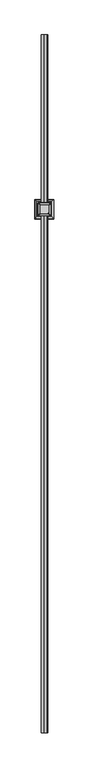
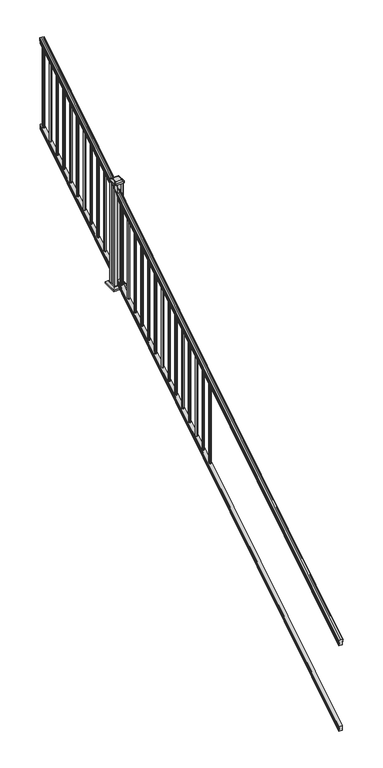
"""IFC4 building model written with IfcOpenShell, lengths in millimetres: railing geometry."""

from ifc_helpers import new_model, si_unit, point, frame, frame_2d, origin, place, context, project, spatial, polyline, circle_curve, ellipse_curve, trimmed, segment, composite_curve, outline, extrude, faceted_brep, source, transform, mapped, element, save
from ifc_brep_helpers import plane_surface, cylinder_surface, revolved_surface, extruded_surface, advanced_brep


def railing_5eec6803(model_context):
    return source(origin(), model_context, "Body", "SolidModel", [
        advanced_brep(
        [(6243.4270946, -16813.8194681, 1133.2070492), (6243.4270946, -16813.8194681, 1135.4335658), (6244.5572809, -16813.8194681, 1137.2758543), (6244.5572809, -16813.8194681, 1145.7876358), (6243.9080245, -16813.8194681, 1148.6572588), (6246.4080245, -16813.8194681, 1153.7635509), (6247.817367, -16813.8194681, 1155.7442021), (6248.219266, -16813.8194681, 1157.0469579), (6248.2192659, -16813.8194681, 1158.6274846), (6246.6658186, -16813.8194681, 1160.4593836), (6225.9942659, -16813.8194681, 1160.4593836), (6205.3227131, -16813.8194681, 1160.4593836), (6203.7692659, -16813.8194681, 1158.6274846), (6203.7692659, -16813.8194681, 1157.0469579), (6204.1711648, -16813.8194681, 1155.7442021), (6205.5805072, -16813.8194681, 1153.7635509), (6208.0805072, -16813.8194681, 1148.6572588), (6207.4312508, -16813.8194681, 1145.7876358), (6207.4312508, -16813.8194681, 1137.2758543), (6208.5614371, -16813.8194681, 1135.4335658), (6208.5614371, -16813.8194681, 1133.2070492), (6211.1352659, -16813.8194681, 1133.2070492), (6211.1352659, -16813.8194681, 1120.825537), (6210.1192659, -16813.8194681, 1119.6274214), (6210.1192659, -16813.8194681, 1104.9), (6241.8692659, -16813.8194681, 1104.9), (6241.8692659, -16813.8194681, 1119.441318), (6240.8532659, -16813.8194681, 1120.6394336), (6240.8532659, -16813.8194681, 1133.2070492), (6243.4270946, -11937.0194681, 4181.2070492), (6240.8532659, -11937.0194681, 4181.2070492), (6240.8532659, -11937.0194681, 4168.6394336), (6241.8692659, -11937.0194681, 4167.441318), (6241.8692659, -11937.0194681, 4152.9), (6210.1192659, -11937.0194681, 4152.9), (6210.1192659, -11937.0194681, 4167.6274214), (6211.1352659, -11937.0194681, 4168.825537), (6211.1352659, -11937.0194681, 4181.2070492), (6208.5614371, -11937.0194681, 4181.2070492), (6208.5614371, -11937.0194681, 4183.4335658), (6207.4312508, -11937.0194681, 4185.2758543), (6207.4312508, -11937.0194681, 4193.7876358), (6208.0805072, -11937.0194681, 4196.6572588), (6205.5805072, -11937.0194681, 4201.7635509), (6204.1711648, -11937.0194681, 4203.7442021), (6203.7692658, -11937.0194681, 4205.0469579), (6203.7692659, -11937.0194681, 4206.6274846), (6205.3227131, -11937.0194681, 4208.4593836), (6225.9942659, -11937.0194681, 4208.4593836), (6246.6658186, -11937.0194681, 4208.4593836), (6248.2192659, -11937.0194681, 4206.6274846), (6248.2192659, -11937.0194681, 4205.0469579), (6247.817367, -11937.0194681, 4203.7442021), (6246.4080245, -11937.0194681, 4201.7635509), (6243.9080245, -11937.0194681, 4196.6572588), (6244.5572809, -11937.0194681, 4193.7876358), (6244.5572809, -11937.0194681, 4185.2758543), (6243.4270946, -11937.0194681, 4183.4335658)],
        [
            (0, 1),
            (1, 2, ellipse_curve(frame((6237.1123413, -16813.8194681, 1142.2239405), z_axis=(0.0, -1.0, 0.0), x_axis=(0.0, 0.0, -1.0)), 10.0777926, 8.545951)),
            (2, 3, ellipse_curve(frame((6237.5494043, -16813.8194681, 1141.5317451), z_axis=(0.0, -1.0, 0.0), x_axis=(0.0, 0.0, -1.0)), 9.2955186, 7.882584)),
            (3, 4, ellipse_curve(frame((6248.0627284, -16813.8194681, 1148.4275077), z_axis=(0.0, 1.0, 0.0), x_axis=(0.0, 0.0, 1.0)), 4.9048088, 4.1592695)),
            (4, 5, ellipse_curve(frame((6249.350035, -16813.8194681, 1148.3563208), z_axis=(0.0, 1.0, 0.0), x_axis=(0.0, 0.0, 1.0)), 6.4245301, 5.4479907)),
            (5, 6, ellipse_curve(frame((6248.1168765, -16813.8194681, 1153.7602333), z_axis=(0.0, 1.0, 0.0), x_axis=(0.0, 0.0, 1.0)), 2.0151625, 1.7088543)),
            (6, 7, ellipse_curve(frame((6246.4999764, -16813.8194681, 1157.0469579), z_axis=(0.0, -1.0, 0.0), x_axis=(0.0, 0.0, -1.0)), 2.0274681, 1.7192895)),
            (7, 8),
            (8, 9, ellipse_curve(frame((6246.6658186, -16813.8194681, 1158.6274846), z_axis=(0.0, -1.0, 0.0), x_axis=(0.0, 0.0, -1.0)), 1.831899, 1.5534472)),
            (9, 10),
            (10, 11),
            (11, 12, ellipse_curve(frame((6205.3227131, -16813.8194681, 1158.6274846), z_axis=(0.0, -1.0, 0.0), x_axis=(0.0, 0.0, -1.0)), 1.831899, 1.5534472)),
            (12, 13),
            (13, 14, ellipse_curve(frame((6205.4885553, -16813.8194681, 1157.0469579), z_axis=(0.0, -1.0, 0.0), x_axis=(0.0, 0.0, -1.0)), 2.0274681, 1.7192895)),
            (14, 15, ellipse_curve(frame((6203.8716552, -16813.8194681, 1153.7602333), z_axis=(0.0, 1.0, 0.0), x_axis=(0.0, 0.0, 1.0)), 2.0151625, 1.7088543)),
            (15, 16, ellipse_curve(frame((6202.6384968, -16813.8194681, 1148.3563208), z_axis=(0.0, 1.0, 0.0), x_axis=(0.0, 0.0, 1.0)), 6.4245301, 5.4479907)),
            (16, 17, ellipse_curve(frame((6203.9258033, -16813.8194681, 1148.4275077), z_axis=(0.0, 1.0, 0.0), x_axis=(0.0, 0.0, 1.0)), 4.9048088, 4.1592695)),
            (17, 18, ellipse_curve(frame((6214.4391275, -16813.8194681, 1141.5317451), z_axis=(0.0, -1.0, 0.0), x_axis=(0.0, 0.0, -1.0)), 9.2955186, 7.882584)),
            (18, 19, ellipse_curve(frame((6214.8761904, -16813.8194681, 1142.2239405), z_axis=(0.0, -1.0, 0.0), x_axis=(0.0, 0.0, -1.0)), 10.0777926, 8.545951)),
            (19, 20),
            (20, 21, ellipse_curve(frame((6209.8483515, -16813.8194681, 1133.2070492), z_axis=(0.0, -1.0, 0.0), x_axis=(0.0, 0.0, -1.0)), 1.5175907, 1.2869144)),
            (21, 22),
            (22, 23),
            (23, 24),
            (24, 25),
            (25, 26),
            (26, 27),
            (27, 28),
            (28, 0, ellipse_curve(frame((6242.1401802, -16813.8194681, 1133.2070492), z_axis=(0.0, -1.0, 0.0), x_axis=(0.0, 0.0, -1.0)), 1.5175907, 1.2869144)),
            (29, 30, ellipse_curve(frame((6242.1401802, -11937.0194681, 4181.2070492), z_axis=(0.0, 1.0, 0.0), x_axis=(0.0, 0.0, -1.0)), 1.5175907, 1.2869144)),
            (30, 31),
            (31, 32),
            (32, 33),
            (33, 34),
            (34, 35),
            (35, 36),
            (36, 37),
            (37, 38, ellipse_curve(frame((6209.8483515, -11937.0194681, 4181.2070492), z_axis=(0.0, 1.0, 0.0), x_axis=(0.0, 0.0, -1.0)), 1.5175907, 1.2869144)),
            (38, 39),
            (39, 40, ellipse_curve(frame((6214.8761904, -11937.0194681, 4190.2239405), z_axis=(0.0, 1.0, 0.0), x_axis=(0.0, 0.0, -1.0)), 10.0777926, 8.545951)),
            (40, 41, ellipse_curve(frame((6214.4391275, -11937.0194681, 4189.5317451), z_axis=(0.0, 1.0, 0.0), x_axis=(0.0, 0.0, -1.0)), 9.2955186, 7.882584)),
            (41, 42, ellipse_curve(frame((6203.9258033, -11937.0194681, 4196.4275077), z_axis=(0.0, -1.0, 0.0), x_axis=(0.0, 0.0, 1.0)), 4.9048088, 4.1592695)),
            (42, 43, ellipse_curve(frame((6202.6384968, -11937.0194681, 4196.3563208), z_axis=(0.0, -1.0, 0.0), x_axis=(0.0, 0.0, 1.0)), 6.4245301, 5.4479907)),
            (43, 44, ellipse_curve(frame((6203.8716552, -11937.0194681, 4201.7602333), z_axis=(0.0, -1.0, 0.0), x_axis=(0.0, 0.0, 1.0)), 2.0151625, 1.7088543)),
            (44, 45, ellipse_curve(frame((6205.4885553, -11937.0194681, 4205.0469579), z_axis=(0.0, 1.0, 0.0), x_axis=(0.0, 0.0, -1.0)), 2.0274681, 1.7192895)),
            (45, 46),
            (46, 47, ellipse_curve(frame((6205.3227131, -11937.0194681, 4206.6274846), z_axis=(0.0, 1.0, 0.0), x_axis=(0.0, 0.0, -1.0)), 1.831899, 1.5534472)),
            (47, 48),
            (48, 49),
            (49, 50, ellipse_curve(frame((6246.6658186, -11937.0194681, 4206.6274846), z_axis=(0.0, 1.0, 0.0), x_axis=(0.0, 0.0, -1.0)), 1.831899, 1.5534472)),
            (50, 51),
            (51, 52, ellipse_curve(frame((6246.4999764, -11937.0194681, 4205.0469579), z_axis=(0.0, 1.0, 0.0), x_axis=(0.0, 0.0, -1.0)), 2.0274681, 1.7192895)),
            (52, 53, ellipse_curve(frame((6248.1168765, -11937.0194681, 4201.7602333), z_axis=(0.0, -1.0, 0.0), x_axis=(0.0, 0.0, 1.0)), 2.0151625, 1.7088543)),
            (53, 54, ellipse_curve(frame((6249.350035, -11937.0194681, 4196.3563208), z_axis=(0.0, -1.0, 0.0), x_axis=(0.0, 0.0, 1.0)), 6.4245301, 5.4479907)),
            (54, 55, ellipse_curve(frame((6248.0627284, -11937.0194681, 4196.4275077), z_axis=(0.0, -1.0, 0.0), x_axis=(0.0, 0.0, 1.0)), 4.9048088, 4.1592695)),
            (55, 56, ellipse_curve(frame((6237.5494043, -11937.0194681, 4189.5317451), z_axis=(0.0, 1.0, 0.0), x_axis=(0.0, 0.0, -1.0)), 9.2955186, 7.882584)),
            (56, 57, ellipse_curve(frame((6237.1123413, -11937.0194681, 4190.2239405), z_axis=(0.0, 1.0, 0.0), x_axis=(0.0, 0.0, -1.0)), 10.0777926, 8.545951)),
            (57, 29),
            (0, 29),
            (57, 1),
            (56, 2),
            (55, 3),
            (54, 4),
            (53, 5),
            (52, 6),
            (51, 7),
            (50, 8),
            (49, 9),
            (48, 10),
            (47, 11),
            (46, 12),
            (45, 13),
            (44, 14),
            (43, 15),
            (42, 16),
            (41, 17),
            (40, 18),
            (39, 19),
            (38, 20),
            (37, 21),
            (36, 22),
            (35, 23),
            (34, 24),
            (33, 25),
            (32, 26),
            (31, 27),
            (30, 28),
        ],
        [
            plane_surface(frame((6225.9942659, -16813.8194681, 1104.9), z_axis=(0.0, -1.0, 0.0), x_axis=(0.0, 0.0, 1.0))),
            plane_surface(frame((6225.9942659, -11937.0194681, 4152.9), z_axis=(0.0, 1.0, 0.0), x_axis=(0.0, 0.0, 1.0))),
            plane_surface(frame((6243.4270946, -16813.8194681, 1133.2070492), z_axis=(1.0, 0.0, 0.0), x_axis=(0.0, 0.8479983040051254, 0.5299989400031202))),
            cylinder_surface(frame((6237.1123413, -16830.5942728, 1131.7396876), z_axis=(0.0, -0.8479983040051254, -0.5299989400031202), x_axis=(-1.0, 0.0, 0.0)), 8.545951),
            cylinder_surface(frame((6237.5494043, -16830.2831737, 1131.241929), z_axis=(0.0, -0.8479983040051254, -0.5299989400031202), x_axis=(-1.0, 0.0, 0.0)), 7.882584),
            revolved_surface(polyline([(6243.9034589, -11934.815059650346, 4197.805262980553), (6243.9034589, -16816.023876549436, 1147.0497524191003)]), (6248.0627284, -16833.3823929, 1136.2006797), (0.0, 0.8479983040051254, 0.5299989400031202)),
            revolved_surface(polyline([(6243.9020443, -11934.132038835738, 4198.160964077183), (6243.9020443, -16816.706897352808, 1146.5516775044946)]), (6249.350035, -16833.3503988, 1136.1494891), (0.0, 0.8479983040051254, 0.5299989400031202)),
            revolved_surface(polyline([(6246.4080222, -11936.113777099781, 4202.326290199655), (6246.4080222, -16814.72515912247, 1153.1941764359544)]), (6248.1168765, -16835.7791235, 1140.0354487), (0.0, 0.8479983040051254, 0.5299989400031202)),
            cylinder_surface(frame((6246.4999764, -16837.2563031, 1142.398936), z_axis=(0.0, -0.8479983040051254, -0.5299989400031202), x_axis=(-1.0, 0.0, 0.0)), 1.7192895),
            plane_surface(frame((6248.2192659, -16813.8194681, 1157.0469579), z_axis=(1.0, 0.0, 0.0), x_axis=(0.0, 0.8479983040051253, 0.5299989400031202))),
            cylinder_surface(frame((6246.6658186, -16837.9666522, 1143.5354945), z_axis=(0.0, -0.8479983040051254, -0.5299989400031202), x_axis=(-1.0, 0.0, 0.0)), 1.5534472),
            plane_surface(frame((6246.6658186, -16813.8194681, 1160.4593836), z_axis=(0.0, -0.5299989400031202, 0.8479983040051254), x_axis=(0.0, 0.8479983040051254, 0.5299989400031202))),
            plane_surface(frame((6225.9942659, -16813.8194681, 1160.4593836), z_axis=(0.0, -0.5299989400031202, 0.8479983040051254), x_axis=(0.0, 0.8479983040051254, 0.5299989400031202))),
            cylinder_surface(frame((6205.3227131, -16837.9666522, 1143.5354945), z_axis=(0.0, -0.8479983040051254, -0.5299989400031202), x_axis=(1.0, 0.0, 0.0)), 1.5534472),
            plane_surface(frame((6203.7692659, -16813.8194681, 1158.6274846), z_axis=(-1.0, 0.0, 0.0), x_axis=(0.0, 0.8479983040051254, 0.5299989400031201))),
            cylinder_surface(frame((6205.4885553, -16837.2563031, 1142.398936), z_axis=(0.0, -0.8479983040051254, -0.5299989400031202), x_axis=(1.0, 0.0, 0.0)), 1.7192895),
            revolved_surface(polyline([(6205.5805095, -11936.113777099781, 4202.326290199655), (6205.5805095, -16814.72515912247, 1153.1941764359544)]), (6203.8716552, -16835.7791235, 1140.0354487), (0.0, 0.8479983040051254, 0.5299989400031202)),
            revolved_surface(polyline([(6208.086487500001, -11934.132038835738, 4198.160964077183), (6208.086487500001, -16816.706897352808, 1146.5516775044946)]), (6202.6384968, -16833.3503988, 1136.1494891), (0.0, 0.8479983040051254, 0.5299989400031202)),
            revolved_surface(polyline([(6208.0850728, -11934.815059650346, 4197.805262980553), (6208.0850728, -16816.023876549436, 1147.0497524191003)]), (6203.9258033, -16833.3823929, 1136.2006797), (0.0, 0.8479983040051254, 0.5299989400031202)),
            cylinder_surface(frame((6214.4391275, -16830.2831737, 1131.241929), z_axis=(0.0, -0.8479983040051254, -0.5299989400031202), x_axis=(1.0, 0.0, 0.0)), 7.882584),
            cylinder_surface(frame((6214.8761904, -16830.5942728, 1131.7396876), z_axis=(0.0, -0.8479983040051254, -0.5299989400031202), x_axis=(1.0, 0.0, 0.0)), 8.545951),
            plane_surface(frame((6208.5614371, -16813.8194681, 1135.4335658), z_axis=(-1.0, 0.0, 0.0), x_axis=(0.0, 0.8479983040051254, 0.5299989400031202))),
            cylinder_surface(frame((6209.8483515, -16826.5417374, 1125.2556309), z_axis=(0.0, -0.8479983040051254, -0.5299989400031202), x_axis=(1.0, 0.0, 0.0)), 1.2869144),
            plane_surface(frame((6211.1352659, -16813.8194681, 1133.2070492), z_axis=(-1.0, 0.0, 0.0), x_axis=(0.0, 0.8479983040051254, 0.5299989400031202))),
            plane_surface(frame((6211.1352659, -16813.8194681, 1120.825537), z_axis=(-0.7071067811865439, -0.3747658444978897, 0.5996253511967193), x_axis=(0.0, 0.8479983040051254, 0.5299989400031202))),
            plane_surface(frame((6210.1192659, -16813.8194681, 1119.6274214), z_axis=(-1.0, 0.0, 0.0), x_axis=(0.0, 0.8479983040051254, 0.5299989400031201))),
            plane_surface(frame((6210.1192659, -16813.8194681, 1104.9), z_axis=(0.0, 0.5299989400031202, -0.8479983040051253), x_axis=(0.0, 0.8479983040051253, 0.5299989400031202))),
            plane_surface(frame((6241.8692659, -16813.8194681, 1104.9), z_axis=(1.0, 0.0, 0.0), x_axis=(0.0, 0.8479983040051254, 0.5299989400031202))),
            plane_surface(frame((6241.8692659, -16813.8194681, 1119.441318), z_axis=(0.707106781186539, -0.3747658444978937, 0.5996253511967224), x_axis=(0.0, 0.8479983040051254, 0.5299989400031201))),
            plane_surface(frame((6240.8532659, -16813.8194681, 1120.6394336), z_axis=(1.0, 0.0, 0.0), x_axis=(0.0, 0.8479983040051254, 0.5299989400031202))),
            cylinder_surface(frame((6242.1401802, -16826.5417374, 1125.2556309), z_axis=(0.0, -0.8479983040051254, -0.5299989400031202), x_axis=(-1.0, 0.0, 0.0)), 1.2869144),
        ],
        [
            (0, [[1, 2, 3, 4, 5, 6, 7, 8, 9, 10, 11, 12, 13, 14, 15, 16, 17, 18, 19, 20, 21, 22, 23, 24, 25, 26, 27, 28, 29]]),
            (1, [[30, 31, 32, 33, 34, 35, 36, 37, 38, 39, 40, 41, 42, 43, 44, 45, 46, 47, 48, 49, 50, 51, 52, 53, 54, 55, 56, 57, 58]]),
            (2, [[-1, 59, -58, 60]]),
            (3, [[-2, -60, -57, 61]]),
            (4, [[-3, -61, -56, 62]]),
            (5, [[-4, -62, -55, 63]]),
            (6, [[-5, -63, -54, 64]]),
            (7, [[-6, -64, -53, 65]]),
            (8, [[-7, -65, -52, 66]]),
            (9, [[-8, -66, -51, 67]]),
            (10, [[-9, -67, -50, 68]]),
            (11, [[-10, -68, -49, 69]]),
            (12, [[-11, -69, -48, 70]]),
            (13, [[-12, -70, -47, 71]]),
            (14, [[-13, -71, -46, 72]]),
            (15, [[-14, -72, -45, 73]]),
            (16, [[-15, -73, -44, 74]]),
            (17, [[-16, -74, -43, 75]]),
            (18, [[-17, -75, -42, 76]]),
            (19, [[-18, -76, -41, 77]]),
            (20, [[-19, -77, -40, 78]]),
            (21, [[-20, -78, -39, 79]]),
            (22, [[-21, -79, -38, 80]]),
            (23, [[-22, -80, -37, 81]]),
            (24, [[-23, -81, -36, 82]]),
            (25, [[-24, -82, -35, 83]]),
            (26, [[-25, -83, -34, 84]]),
            (27, [[-26, -84, -33, 85]]),
            (28, [[-27, -85, -32, 86]]),
            (29, [[-28, -86, -31, 87]]),
            (30, [[-29, -87, -30, -59]]),
        ],
    ),
        faceted_brep([(6241.9067528, -16813.8194681, 268.8045079), (6240.8907528, -16813.8194681, 270.338026), (6240.8907528, -16813.8194681, 282.5545048), (6241.9067528, -16813.8194681, 284.1444579), (6241.9067528, -16813.8194681, 298.9244744), (6210.1567528, -16813.8194681, 298.9244744), (6210.1567528, -16813.8194681, 284.1248272), (6211.1727528, -16813.8194681, 282.5348741), (6211.1727528, -16813.8194681, 270.3748303), (6210.1567528, -16813.8194681, 268.7848772), (6210.1567528, -16813.8194681, 254.0), (6241.9067528, -16813.8194681, 254.0), (6241.9067528, -11937.0194681, 3316.8045079), (6241.9067528, -11937.0194681, 3302.0), (6210.1567528, -11937.0194681, 3302.0), (6210.1567528, -11937.0194681, 3316.7848772), (6211.1727528, -11937.0194681, 3318.3748303), (6211.1727528, -11937.0194681, 3330.5348741), (6210.1567528, -11937.0194681, 3332.1248272), (6210.1567528, -11937.0194681, 3346.9244744), (6241.9067528, -11937.0194681, 3346.9244744), (6241.9067528, -11937.0194681, 3332.1444579), (6240.8907528, -11937.0194681, 3330.5545048), (6240.8907528, -11937.0194681, 3318.338026)], [[[0, 1, 2, 3, 4, 5, 6, 7, 8, 9, 10, 11]], [[12, 13, 14, 15, 16, 17, 18, 19, 20, 21, 22, 23]], [[1, 0, 12, 23]], [[2, 1, 23, 22]], [[3, 2, 22, 21]], [[4, 3, 21, 20]], [[5, 4, 20, 19]], [[6, 5, 19, 18]], [[7, 6, 18, 17]], [[8, 7, 17, 16]], [[9, 8, 16, 15]], [[10, 9, 15, 14]], [[11, 10, 14, 13]], [[0, 11, 13, 12]]]),
        extrude(outline(composite_curve([segment(trimmed(circle_curve(frame_2d((6225.9942659, -11964.0069681)), 9.525), [point((6235.5192659, -11964.0069681))], [point((6225.9942659, -11973.5319681))], False, "CARTESIAN"), True, "CONTINUOUS"), segment(trimmed(circle_curve(frame_2d((6225.9942659, -11964.0069681)), 9.525), [point((6225.9942659, -11973.5319681))], [point((6216.4692659, -11964.0069681))], False, "CARTESIAN"), True, "CONTINUOUS"), segment(trimmed(circle_curve(frame_2d((6225.9942659, -11964.0069681)), 9.525), [point((6216.4692659, -11964.0069681))], [point((6225.9942659, -11954.4819681))], False, "CARTESIAN"), True, "CONTINUOUS"), segment(trimmed(circle_curve(frame_2d((6225.9942659, -11964.0069681)), 9.525), [point((6225.9942659, -11954.4819681))], [point((6235.5192659, -11964.0069681))], False, "CARTESIAN"), True, "CONTINUOUS")], self_intersect=False)), frame((0.0, 0.0, 3323.2286906), z_axis=(0.0, 0.0, 1.0), x_axis=(1.0, 0.0, 0.0)), (0.0, 0.0, 1.0), 812.8041219),
        extrude(outline(composite_curve([segment(trimmed(circle_curve(frame_2d((6225.9942659, -12075.1319681)), 9.525), [point((6235.5192659, -12075.1319681))], [point((6225.9942659, -12084.6569681))], False, "CARTESIAN"), True, "CONTINUOUS"), segment(trimmed(circle_curve(frame_2d((6225.9942659, -12075.1319681)), 9.525), [point((6225.9942659, -12084.6569681))], [point((6216.4692659, -12075.1319681))], False, "CARTESIAN"), True, "CONTINUOUS"), segment(trimmed(circle_curve(frame_2d((6225.9942659, -12075.1319681)), 9.525), [point((6216.4692659, -12075.1319681))], [point((6225.9942659, -12065.6069681))], False, "CARTESIAN"), True, "CONTINUOUS"), segment(trimmed(circle_curve(frame_2d((6225.9942659, -12075.1319681)), 9.525), [point((6225.9942659, -12065.6069681))], [point((6235.5192659, -12075.1319681))], False, "CARTESIAN"), True, "CONTINUOUS")], self_intersect=False)), frame((0.0, 0.0, 3253.7755656), z_axis=(0.0, 0.0, 1.0), x_axis=(1.0, 0.0, 0.0)), (0.0, 0.0, 1.0), 812.8041219),
        extrude(outline(composite_curve([segment(trimmed(circle_curve(frame_2d((6225.9942659, -12186.2569681)), 9.525), [point((6235.5192659, -12186.2569681))], [point((6225.9942659, -12195.7819681))], False, "CARTESIAN"), True, "CONTINUOUS"), segment(trimmed(circle_curve(frame_2d((6225.9942659, -12186.2569681)), 9.525), [point((6225.9942659, -12195.7819681))], [point((6216.4692659, -12186.2569681))], False, "CARTESIAN"), True, "CONTINUOUS"), segment(trimmed(circle_curve(frame_2d((6225.9942659, -12186.2569681)), 9.525), [point((6216.4692659, -12186.2569681))], [point((6225.9942659, -12176.7319681))], False, "CARTESIAN"), True, "CONTINUOUS"), segment(trimmed(circle_curve(frame_2d((6225.9942659, -12186.2569681)), 9.525), [point((6225.9942659, -12176.7319681))], [point((6235.5192659, -12186.2569681))], False, "CARTESIAN"), True, "CONTINUOUS")], self_intersect=False)), frame((0.0, 0.0, 3184.3224406), z_axis=(0.0, 0.0, 1.0), x_axis=(1.0, 0.0, 0.0)), (0.0, 0.0, 1.0), 812.8041219),
        extrude(outline(composite_curve([segment(trimmed(circle_curve(frame_2d((6225.9942659, -12297.3819681)), 9.525), [point((6235.5192659, -12297.3819681))], [point((6225.9942659, -12306.9069681))], False, "CARTESIAN"), True, "CONTINUOUS"), segment(trimmed(circle_curve(frame_2d((6225.9942659, -12297.3819681)), 9.525), [point((6225.9942659, -12306.9069681))], [point((6216.4692659, -12297.3819681))], False, "CARTESIAN"), True, "CONTINUOUS"), segment(trimmed(circle_curve(frame_2d((6225.9942659, -12297.3819681)), 9.525), [point((6216.4692659, -12297.3819681))], [point((6225.9942659, -12287.8569681))], False, "CARTESIAN"), True, "CONTINUOUS"), segment(trimmed(circle_curve(frame_2d((6225.9942659, -12297.3819681)), 9.525), [point((6225.9942659, -12287.8569681))], [point((6235.5192659, -12297.3819681))], False, "CARTESIAN"), True, "CONTINUOUS")], self_intersect=False)), frame((0.0, 0.0, 3114.8693156), z_axis=(0.0, 0.0, 1.0), x_axis=(1.0, 0.0, 0.0)), (0.0, 0.0, 1.0), 812.8041219),
        extrude(outline(composite_curve([segment(trimmed(circle_curve(frame_2d((6225.9942659, -12408.5069681)), 9.525), [point((6235.5192659, -12408.5069681))], [point((6225.9942659, -12418.0319681))], False, "CARTESIAN"), True, "CONTINUOUS"), segment(trimmed(circle_curve(frame_2d((6225.9942659, -12408.5069681)), 9.525), [point((6225.9942659, -12418.0319681))], [point((6216.4692659, -12408.5069681))], False, "CARTESIAN"), True, "CONTINUOUS"), segment(trimmed(circle_curve(frame_2d((6225.9942659, -12408.5069681)), 9.525), [point((6216.4692659, -12408.5069681))], [point((6225.9942659, -12398.9819681))], False, "CARTESIAN"), True, "CONTINUOUS"), segment(trimmed(circle_curve(frame_2d((6225.9942659, -12408.5069681)), 9.525), [point((6225.9942659, -12398.9819681))], [point((6235.5192659, -12408.5069681))], False, "CARTESIAN"), True, "CONTINUOUS")], self_intersect=False)), frame((0.0, 0.0, 3045.4161906), z_axis=(0.0, 0.0, 1.0), x_axis=(1.0, 0.0, 0.0)), (0.0, 0.0, 1.0), 812.8041219),
        extrude(outline(composite_curve([segment(trimmed(circle_curve(frame_2d((6225.9942659, -12519.6319681)), 9.525), [point((6235.5192659, -12519.6319681))], [point((6225.9942659, -12529.1569681))], False, "CARTESIAN"), True, "CONTINUOUS"), segment(trimmed(circle_curve(frame_2d((6225.9942659, -12519.6319681)), 9.525), [point((6225.9942659, -12529.1569681))], [point((6216.4692659, -12519.6319681))], False, "CARTESIAN"), True, "CONTINUOUS"), segment(trimmed(circle_curve(frame_2d((6225.9942659, -12519.6319681)), 9.525), [point((6216.4692659, -12519.6319681))], [point((6225.9942659, -12510.1069681))], False, "CARTESIAN"), True, "CONTINUOUS"), segment(trimmed(circle_curve(frame_2d((6225.9942659, -12519.6319681)), 9.525), [point((6225.9942659, -12510.1069681))], [point((6235.5192659, -12519.6319681))], False, "CARTESIAN"), True, "CONTINUOUS")], self_intersect=False)), frame((0.0, 0.0, 2975.9630656), z_axis=(0.0, 0.0, 1.0), x_axis=(1.0, 0.0, 0.0)), (0.0, 0.0, 1.0), 812.8041219),
        extrude(outline(composite_curve([segment(trimmed(circle_curve(frame_2d((6225.9942659, -12630.7569681)), 9.525), [point((6235.5192659, -12630.7569681))], [point((6225.9942659, -12640.2819681))], False, "CARTESIAN"), True, "CONTINUOUS"), segment(trimmed(circle_curve(frame_2d((6225.9942659, -12630.7569681)), 9.525), [point((6225.9942659, -12640.2819681))], [point((6216.4692659, -12630.7569681))], False, "CARTESIAN"), True, "CONTINUOUS"), segment(trimmed(circle_curve(frame_2d((6225.9942659, -12630.7569681)), 9.525), [point((6216.4692659, -12630.7569681))], [point((6225.9942659, -12621.2319681))], False, "CARTESIAN"), True, "CONTINUOUS"), segment(trimmed(circle_curve(frame_2d((6225.9942659, -12630.7569681)), 9.525), [point((6225.9942659, -12621.2319681))], [point((6235.5192659, -12630.7569681))], False, "CARTESIAN"), True, "CONTINUOUS")], self_intersect=False)), frame((0.0, 0.0, 2906.5099406), z_axis=(0.0, 0.0, 1.0), x_axis=(1.0, 0.0, 0.0)), (0.0, 0.0, 1.0), 812.8041219),
        extrude(outline(composite_curve([segment(trimmed(circle_curve(frame_2d((6225.9942659, -12741.8819681)), 9.525), [point((6235.5192659, -12741.8819681))], [point((6225.9942659, -12751.4069681))], False, "CARTESIAN"), True, "CONTINUOUS"), segment(trimmed(circle_curve(frame_2d((6225.9942659, -12741.8819681)), 9.525), [point((6225.9942659, -12751.4069681))], [point((6216.4692659, -12741.8819681))], False, "CARTESIAN"), True, "CONTINUOUS"), segment(trimmed(circle_curve(frame_2d((6225.9942659, -12741.8819681)), 9.525), [point((6216.4692659, -12741.8819681))], [point((6225.9942659, -12732.3569681))], False, "CARTESIAN"), True, "CONTINUOUS"), segment(trimmed(circle_curve(frame_2d((6225.9942659, -12741.8819681)), 9.525), [point((6225.9942659, -12732.3569681))], [point((6235.5192659, -12741.8819681))], False, "CARTESIAN"), True, "CONTINUOUS")], self_intersect=False)), frame((0.0, 0.0, 2837.0568156), z_axis=(0.0, 0.0, 1.0), x_axis=(1.0, 0.0, 0.0)), (0.0, 0.0, 1.0), 812.8041219),
        extrude(outline(composite_curve([segment(trimmed(circle_curve(frame_2d((6225.9942659, -12853.0069681)), 9.525), [point((6235.5192659, -12853.0069681))], [point((6225.9942659, -12862.5319681))], False, "CARTESIAN"), True, "CONTINUOUS"), segment(trimmed(circle_curve(frame_2d((6225.9942659, -12853.0069681)), 9.525), [point((6225.9942659, -12862.5319681))], [point((6216.4692659, -12853.0069681))], False, "CARTESIAN"), True, "CONTINUOUS"), segment(trimmed(circle_curve(frame_2d((6225.9942659, -12853.0069681)), 9.525), [point((6216.4692659, -12853.0069681))], [point((6225.9942659, -12843.4819681))], False, "CARTESIAN"), True, "CONTINUOUS"), segment(trimmed(circle_curve(frame_2d((6225.9942659, -12853.0069681)), 9.525), [point((6225.9942659, -12843.4819681))], [point((6235.5192659, -12853.0069681))], False, "CARTESIAN"), True, "CONTINUOUS")], self_intersect=False)), frame((0.0, 0.0, 2767.6036906), z_axis=(0.0, 0.0, 1.0), x_axis=(1.0, 0.0, 0.0)), (0.0, 0.0, 1.0), 812.8041219),
        extrude(outline(composite_curve([segment(trimmed(circle_curve(frame_2d((6225.9942659, -12964.1319681)), 9.525), [point((6235.5192659, -12964.1319681))], [point((6225.9942659, -12973.6569681))], False, "CARTESIAN"), True, "CONTINUOUS"), segment(trimmed(circle_curve(frame_2d((6225.9942659, -12964.1319681)), 9.525), [point((6225.9942659, -12973.6569681))], [point((6216.4692659, -12964.1319681))], False, "CARTESIAN"), True, "CONTINUOUS"), segment(trimmed(circle_curve(frame_2d((6225.9942659, -12964.1319681)), 9.525), [point((6216.4692659, -12964.1319681))], [point((6225.9942659, -12954.6069681))], False, "CARTESIAN"), True, "CONTINUOUS"), segment(trimmed(circle_curve(frame_2d((6225.9942659, -12964.1319681)), 9.525), [point((6225.9942659, -12954.6069681))], [point((6235.5192659, -12964.1319681))], False, "CARTESIAN"), True, "CONTINUOUS")], self_intersect=False)), frame((0.0, 0.0, 2698.1505656), z_axis=(0.0, 0.0, 1.0), x_axis=(1.0, 0.0, 0.0)), (0.0, 0.0, 1.0), 812.8041219),
        extrude(outline(composite_curve([segment(trimmed(circle_curve(frame_2d((6225.9942659, -13075.2569681)), 9.525), [point((6235.5192659, -13075.2569681))], [point((6225.9942659, -13084.7819681))], False, "CARTESIAN"), True, "CONTINUOUS"), segment(trimmed(circle_curve(frame_2d((6225.9942659, -13075.2569681)), 9.525), [point((6225.9942659, -13084.7819681))], [point((6216.4692659, -13075.2569681))], False, "CARTESIAN"), True, "CONTINUOUS"), segment(trimmed(circle_curve(frame_2d((6225.9942659, -13075.2569681)), 9.525), [point((6216.4692659, -13075.2569681))], [point((6225.9942659, -13065.7319681))], False, "CARTESIAN"), True, "CONTINUOUS"), segment(trimmed(circle_curve(frame_2d((6225.9942659, -13075.2569681)), 9.525), [point((6225.9942659, -13065.7319681))], [point((6235.5192659, -13075.2569681))], False, "CARTESIAN"), True, "CONTINUOUS")], self_intersect=False)), frame((0.0, 0.0, 2628.6974406), z_axis=(0.0, 0.0, 1.0), x_axis=(1.0, 0.0, 0.0)), (0.0, 0.0, 1.0), 812.8041219),
        faceted_brep([(6278.5802034, -13208.8054056, 2505.075), (6278.5802034, -13103.6335306, 2505.075), (6173.4083284, -13103.6335306, 2505.075), (6173.4083284, -13208.8054056, 2505.075), (6292.6196565, -13222.8448587, 2491.74), (6159.3688753, -13222.8448587, 2491.74), (6159.3688753, -13089.5940775, 2491.74), (6292.6196565, -13089.5940775, 2491.74)], [[[0, 1, 2, 3]], [[4, 5, 6, 7]], [[4, 0, 3, 5]], [[5, 3, 2, 6]], [[6, 2, 1, 7]], [[7, 1, 0, 4]]]),
        extrude(outline(polyline([(6292.6196565, -13222.8448587), (6159.3688753, -13222.8448587), (6159.3688753, -13089.5940775), (6292.6196565, -13089.5940775), (6292.6196565, -13222.8448587)])), frame((0.0, 0.0, 2476.5), z_axis=(0.0, 0.0, 1.0), x_axis=(1.0, 0.0, 0.0)), (0.0, 0.0, 1.0), 15.24),
        advanced_brep(
        [(6200.1973909, -13185.1913431, 3536.439263), (6251.7911409, -13185.1913431, 3536.439263), (6254.9661409, -13182.0163431, 3536.439263), (6254.9661409, -13130.4225931, 3536.439263), (6251.7911409, -13127.2475931, 3536.439263), (6200.1973909, -13127.2475931, 3536.439263), (6197.0223909, -13130.4225931, 3536.439263), (6197.0223909, -13182.0163431, 3536.439263), (6183.9255159, -13201.4632181, 3525.136263), (6180.7505159, -13198.2882181, 3525.136263), (6180.7505159, -13114.1507181, 3525.136263), (6183.9255159, -13110.9757181, 3525.136263), (6268.0630159, -13110.9757181, 3525.136263), (6271.2380159, -13114.1507181, 3525.136263), (6271.2380159, -13198.2882181, 3525.136263), (6268.0630159, -13201.4632181, 3525.136263)],
        [
            (0, 1),
            (1, 2, circle_curve(frame((6251.7911409, -13182.0163431, 3536.439263), z_axis=(0.0, 0.0, 1.0), x_axis=(0.0, 1.0, 0.0)), 3.175)),
            (2, 3),
            (3, 4, circle_curve(frame((6251.7911409, -13130.4225931, 3536.439263), z_axis=(0.0, 0.0, 1.0), x_axis=(0.0, 1.0, 0.0)), 3.175)),
            (4, 5),
            (5, 6, circle_curve(frame((6200.1973909, -13130.4225931, 3536.439263), z_axis=(0.0, 0.0, 1.0), x_axis=(0.0, 1.0, 0.0)), 3.175)),
            (6, 7),
            (7, 0, circle_curve(frame((6200.1973909, -13182.0163431, 3536.439263), z_axis=(0.0, 0.0, 1.0), x_axis=(0.0, 1.0, 0.0)), 3.175)),
            (8, 9, circle_curve(frame((6183.9255159, -13198.2882181, 3525.136263), z_axis=(0.0, 0.0, -1.0), x_axis=(0.0, 1.0, 0.0)), 3.175)),
            (9, 10),
            (10, 11, circle_curve(frame((6183.9255159, -13114.1507181, 3525.136263), z_axis=(0.0, 0.0, -1.0), x_axis=(0.0, 1.0, 0.0)), 3.175)),
            (11, 12),
            (12, 13, circle_curve(frame((6268.0630159, -13114.1507181, 3525.136263), z_axis=(0.0, 0.0, -1.0), x_axis=(0.0, 1.0, 0.0)), 3.175)),
            (13, 14),
            (14, 15, circle_curve(frame((6268.0630159, -13198.2882181, 3525.136263), z_axis=(0.0, 0.0, -1.0), x_axis=(0.0, 1.0, 0.0)), 3.175)),
            (15, 8),
            (8, 0),
            (7, 9),
            (6, 10),
            (5, 11),
            (4, 12),
            (3, 13),
            (2, 14),
            (1, 15),
        ],
        [
            plane_surface(frame((6225.9942659, -13156.2194681, 3536.439263), z_axis=(0.0, 0.0, 1.0), x_axis=(-1.0, 0.0, 0.0))),
            plane_surface(frame((6225.9942659, -13156.2194681, 3525.136263), z_axis=(0.0, 0.0, -1.0), x_axis=(-1.0, 0.0, 0.0))),
            extruded_surface(trimmed(circle_curve(frame((6200.1973909, -13182.0163431, 3536.439263), z_axis=(0.0, 0.0, -1.0), x_axis=(0.0, 1.0, 0.0)), 3.175), [point((6200.1973909, -13185.1913431, 3536.439263))], [point((6197.0223909, -13182.0163431, 3536.439263))], True, "CARTESIAN"), (-16.271874999999454, -16.271875000000364, -11.303000000000338), 25.6379726388662),
            plane_surface(frame((6180.7505159, -13156.2194681, 3525.136263), z_axis=(-0.5705009161540778, 0.0, 0.8212969649690408), x_axis=(0.0, 1.0, 0.0))),
            extruded_surface(trimmed(circle_curve(frame((6200.1973909, -13130.4225931, 3536.439263), z_axis=(0.0, 0.0, -1.0), x_axis=(0.0, 1.0, 0.0)), 3.175), [point((6197.0223909, -13130.4225931, 3536.439263))], [point((6200.1973909, -13127.2475931, 3536.439263))], True, "CARTESIAN"), (-16.271874999999454, 16.271875000000364, -11.303000000000338), 25.6379726388662),
            plane_surface(frame((6225.9942659, -13110.9757181, 3525.136263), z_axis=(0.0, 0.5705009161540291, 0.8212969649690747), x_axis=(1.0, 0.0, 0.0))),
            extruded_surface(trimmed(circle_curve(frame((6251.7911409, -13130.4225931, 3536.439263), z_axis=(0.0, 0.0, -1.0), x_axis=(0.0, 1.0, 0.0)), 3.175), [point((6251.7911409, -13127.2475931, 3536.439263))], [point((6254.9661409, -13130.4225931, 3536.439263))], True, "CARTESIAN"), (16.271875000000364, 16.271875000000364, -11.303000000000338), 25.637972638866774),
            plane_surface(frame((6271.2380159, -13156.2194681, 3525.136263), z_axis=(0.5705009161540142, 0.0, 0.8212969649690851), x_axis=(0.0, -1.0, 0.0))),
            extruded_surface(trimmed(circle_curve(frame((6251.7911409, -13182.0163431, 3536.439263), z_axis=(0.0, 0.0, -1.0), x_axis=(0.0, 1.0, 0.0)), 3.175), [point((6254.9661409, -13182.0163431, 3536.439263))], [point((6251.7911409, -13185.1913431, 3536.439263))], True, "CARTESIAN"), (16.271875000000364, -16.271875000000364, -11.303000000000338), 25.637972638866774),
            plane_surface(frame((6225.9942659, -13201.4632181, 3525.136263), z_axis=(0.0, -0.570500916154034, 0.8212969649690713), x_axis=(-1.0, 0.0, 0.0))),
        ],
        [
            (0, [[1, 2, 3, 4, 5, 6, 7, 8]]),
            (1, [[9, 10, 11, 12, 13, 14, 15, 16]]),
            (2, [[17, -8, 18, -9]]),
            (3, [[-18, -7, 19, -10]]),
            (4, [[-19, -6, 20, -11]]),
            (5, [[-20, -5, 21, -12]]),
            (6, [[-21, -4, 22, -13]]),
            (7, [[-22, -3, 23, -14]]),
            (8, [[-23, -2, 24, -15]]),
            (9, [[-24, -1, -17, -16]]),
        ],
    ),
        extrude(outline(composite_curve([segment(trimmed(circle_curve(frame_2d((6183.9255159, -13198.2882181)), 3.175), [point((6183.9255159, -13201.4632181))], [point((6180.7505159, -13198.2882181))], False, "CARTESIAN"), True, "CONTINUOUS"), segment(polyline([(6180.7505159, -13198.2882181), (6180.7505159, -13114.1507181)]), True, "CONTINUOUS"), segment(trimmed(circle_curve(frame_2d((6183.9255159, -13114.1507181)), 3.175), [point((6180.7505159, -13114.1507181))], [point((6183.9255159, -13110.9757181))], False, "CARTESIAN"), True, "CONTINUOUS"), segment(polyline([(6183.9255159, -13110.9757181), (6268.0630159, -13110.9757181)]), True, "CONTINUOUS"), segment(trimmed(circle_curve(frame_2d((6268.0630159, -13114.1507181)), 3.175), [point((6268.0630159, -13110.9757181))], [point((6271.2380159, -13114.1507181))], False, "CARTESIAN"), True, "CONTINUOUS"), segment(polyline([(6271.2380159, -13114.1507181), (6271.2380159, -13198.2882181)]), True, "CONTINUOUS"), segment(trimmed(circle_curve(frame_2d((6268.0630159, -13198.2882181)), 3.175), [point((6271.2380159, -13198.2882181))], [point((6268.0630159, -13201.4632181))], False, "CARTESIAN"), True, "CONTINUOUS"), segment(polyline([(6268.0630159, -13201.4632181), (6183.9255159, -13201.4632181)]), True, "CONTINUOUS")], self_intersect=False)), frame((0.0, 0.0, 3507.864263), z_axis=(0.0, 0.0, 1.0), x_axis=(1.0, 0.0, 0.0)), (0.0, 0.0, 1.0), 17.272),
        extrude(outline(polyline([(6186.3067659, -13197.4944681), (6184.7192659, -13195.9069681), (6184.7192659, -13176.2854681), (6186.3067659, -13175.5234681), (6186.3067659, -13136.9154681), (6184.7192659, -13136.1534681), (6184.7192659, -13116.5319681), (6186.3067659, -13114.9444681), (6205.9282659, -13114.9444681), (6206.6902659, -13116.5319681), (6245.2982659, -13116.5319681), (6246.0602659, -13114.9444681), (6265.6817659, -13114.9444681), (6267.2692659, -13116.5319681), (6267.2692659, -13136.1534681), (6265.6817659, -13136.9154681), (6265.6817659, -13175.5234681), (6267.2692659, -13176.2854681), (6267.2692659, -13195.9069681), (6265.6817659, -13197.4944681), (6246.0602659, -13197.4944681), (6245.2982659, -13195.9069681), (6206.6902659, -13195.9069681), (6205.9282659, -13197.4944681), (6186.3067659, -13197.4944681)])), frame((0.0, 0.0, 2476.5), z_axis=(0.0, 0.0, 1.0), x_axis=(1.0, 0.0, 0.0)), (0.0, 0.0, 1.0), 1031.364263),
        extrude(outline(composite_curve([segment(trimmed(circle_curve(frame_2d((6225.9942659, -13237.1819681)), 9.525), [point((6235.5192659, -13237.1819681))], [point((6225.9942659, -13246.7069681))], False, "CARTESIAN"), True, "CONTINUOUS"), segment(trimmed(circle_curve(frame_2d((6225.9942659, -13237.1819681)), 9.525), [point((6225.9942659, -13246.7069681))], [point((6216.4692659, -13237.1819681))], False, "CARTESIAN"), True, "CONTINUOUS"), segment(trimmed(circle_curve(frame_2d((6225.9942659, -13237.1819681)), 9.525), [point((6216.4692659, -13237.1819681))], [point((6225.9942659, -13227.6569681))], False, "CARTESIAN"), True, "CONTINUOUS"), segment(trimmed(circle_curve(frame_2d((6225.9942659, -13237.1819681)), 9.525), [point((6225.9942659, -13227.6569681))], [point((6235.5192659, -13237.1819681))], False, "CARTESIAN"), True, "CONTINUOUS")], self_intersect=False)), frame((0.0, 0.0, 2527.4943156), z_axis=(0.0, 0.0, 1.0), x_axis=(1.0, 0.0, 0.0)), (0.0, 0.0, 1.0), 812.8041219),
        extrude(outline(composite_curve([segment(trimmed(circle_curve(frame_2d((6225.9942659, -13348.3069681)), 9.525), [point((6235.5192659, -13348.3069681))], [point((6225.9942659, -13357.8319681))], False, "CARTESIAN"), True, "CONTINUOUS"), segment(trimmed(circle_curve(frame_2d((6225.9942659, -13348.3069681)), 9.525), [point((6225.9942659, -13357.8319681))], [point((6216.4692659, -13348.3069681))], False, "CARTESIAN"), True, "CONTINUOUS"), segment(trimmed(circle_curve(frame_2d((6225.9942659, -13348.3069681)), 9.525), [point((6216.4692659, -13348.3069681))], [point((6225.9942659, -13338.7819681))], False, "CARTESIAN"), True, "CONTINUOUS"), segment(trimmed(circle_curve(frame_2d((6225.9942659, -13348.3069681)), 9.525), [point((6225.9942659, -13338.7819681))], [point((6235.5192659, -13348.3069681))], False, "CARTESIAN"), True, "CONTINUOUS")], self_intersect=False)), frame((0.0, 0.0, 2458.0411906), z_axis=(0.0, 0.0, 1.0), x_axis=(1.0, 0.0, 0.0)), (0.0, 0.0, 1.0), 812.8041219),
        extrude(outline(composite_curve([segment(trimmed(circle_curve(frame_2d((6225.9942659, -13459.4319681)), 9.525), [point((6235.5192659, -13459.4319681))], [point((6225.9942659, -13468.9569681))], False, "CARTESIAN"), True, "CONTINUOUS"), segment(trimmed(circle_curve(frame_2d((6225.9942659, -13459.4319681)), 9.525), [point((6225.9942659, -13468.9569681))], [point((6216.4692659, -13459.4319681))], False, "CARTESIAN"), True, "CONTINUOUS"), segment(trimmed(circle_curve(frame_2d((6225.9942659, -13459.4319681)), 9.525), [point((6216.4692659, -13459.4319681))], [point((6225.9942659, -13449.9069681))], False, "CARTESIAN"), True, "CONTINUOUS"), segment(trimmed(circle_curve(frame_2d((6225.9942659, -13459.4319681)), 9.525), [point((6225.9942659, -13449.9069681))], [point((6235.5192659, -13459.4319681))], False, "CARTESIAN"), True, "CONTINUOUS")], self_intersect=False)), frame((0.0, 0.0, 2388.5880656), z_axis=(0.0, 0.0, 1.0), x_axis=(1.0, 0.0, 0.0)), (0.0, 0.0, 1.0), 812.8041219),
        extrude(outline(composite_curve([segment(trimmed(circle_curve(frame_2d((6225.9942659, -13570.5569681)), 9.525), [point((6235.5192659, -13570.5569681))], [point((6225.9942659, -13580.0819681))], False, "CARTESIAN"), True, "CONTINUOUS"), segment(trimmed(circle_curve(frame_2d((6225.9942659, -13570.5569681)), 9.525), [point((6225.9942659, -13580.0819681))], [point((6216.4692659, -13570.5569681))], False, "CARTESIAN"), True, "CONTINUOUS"), segment(trimmed(circle_curve(frame_2d((6225.9942659, -13570.5569681)), 9.525), [point((6216.4692659, -13570.5569681))], [point((6225.9942659, -13561.0319681))], False, "CARTESIAN"), True, "CONTINUOUS"), segment(trimmed(circle_curve(frame_2d((6225.9942659, -13570.5569681)), 9.525), [point((6225.9942659, -13561.0319681))], [point((6235.5192659, -13570.5569681))], False, "CARTESIAN"), True, "CONTINUOUS")], self_intersect=False)), frame((0.0, 0.0, 2319.1349406), z_axis=(0.0, 0.0, 1.0), x_axis=(1.0, 0.0, 0.0)), (0.0, 0.0, 1.0), 812.8041219),
        extrude(outline(composite_curve([segment(trimmed(circle_curve(frame_2d((6225.9942659, -13681.6819681)), 9.525), [point((6235.5192659, -13681.6819681))], [point((6225.9942659, -13691.2069681))], False, "CARTESIAN"), True, "CONTINUOUS"), segment(trimmed(circle_curve(frame_2d((6225.9942659, -13681.6819681)), 9.525), [point((6225.9942659, -13691.2069681))], [point((6216.4692659, -13681.6819681))], False, "CARTESIAN"), True, "CONTINUOUS"), segment(trimmed(circle_curve(frame_2d((6225.9942659, -13681.6819681)), 9.525), [point((6216.4692659, -13681.6819681))], [point((6225.9942659, -13672.1569681))], False, "CARTESIAN"), True, "CONTINUOUS"), segment(trimmed(circle_curve(frame_2d((6225.9942659, -13681.6819681)), 9.525), [point((6225.9942659, -13672.1569681))], [point((6235.5192659, -13681.6819681))], False, "CARTESIAN"), True, "CONTINUOUS")], self_intersect=False)), frame((0.0, 0.0, 2249.6818156), z_axis=(0.0, 0.0, 1.0), x_axis=(1.0, 0.0, 0.0)), (0.0, 0.0, 1.0), 812.8041219),
        extrude(outline(composite_curve([segment(trimmed(circle_curve(frame_2d((6225.9942659, -13792.8069681)), 9.525), [point((6235.5192659, -13792.8069681))], [point((6225.9942659, -13802.3319681))], False, "CARTESIAN"), True, "CONTINUOUS"), segment(trimmed(circle_curve(frame_2d((6225.9942659, -13792.8069681)), 9.525), [point((6225.9942659, -13802.3319681))], [point((6216.4692659, -13792.8069681))], False, "CARTESIAN"), True, "CONTINUOUS"), segment(trimmed(circle_curve(frame_2d((6225.9942659, -13792.8069681)), 9.525), [point((6216.4692659, -13792.8069681))], [point((6225.9942659, -13783.2819681))], False, "CARTESIAN"), True, "CONTINUOUS"), segment(trimmed(circle_curve(frame_2d((6225.9942659, -13792.8069681)), 9.525), [point((6225.9942659, -13783.2819681))], [point((6235.5192659, -13792.8069681))], False, "CARTESIAN"), True, "CONTINUOUS")], self_intersect=False)), frame((0.0, 0.0, 2180.2286906), z_axis=(0.0, 0.0, 1.0), x_axis=(1.0, 0.0, 0.0)), (0.0, 0.0, 1.0), 812.8041219),
        extrude(outline(composite_curve([segment(trimmed(circle_curve(frame_2d((6225.9942659, -13903.9319681)), 9.525), [point((6235.5192659, -13903.9319681))], [point((6225.9942659, -13913.4569681))], False, "CARTESIAN"), True, "CONTINUOUS"), segment(trimmed(circle_curve(frame_2d((6225.9942659, -13903.9319681)), 9.525), [point((6225.9942659, -13913.4569681))], [point((6216.4692659, -13903.9319681))], False, "CARTESIAN"), True, "CONTINUOUS"), segment(trimmed(circle_curve(frame_2d((6225.9942659, -13903.9319681)), 9.525), [point((6216.4692659, -13903.9319681))], [point((6225.9942659, -13894.4069681))], False, "CARTESIAN"), True, "CONTINUOUS"), segment(trimmed(circle_curve(frame_2d((6225.9942659, -13903.9319681)), 9.525), [point((6225.9942659, -13894.4069681))], [point((6235.5192659, -13903.9319681))], False, "CARTESIAN"), True, "CONTINUOUS")], self_intersect=False)), frame((0.0, 0.0, 2110.7755656), z_axis=(0.0, 0.0, 1.0), x_axis=(1.0, 0.0, 0.0)), (0.0, 0.0, 1.0), 812.8041219),
        extrude(outline(composite_curve([segment(trimmed(circle_curve(frame_2d((6225.9942659, -14015.0569681)), 9.525), [point((6235.5192659, -14015.0569681))], [point((6225.9942659, -14024.5819681))], False, "CARTESIAN"), True, "CONTINUOUS"), segment(trimmed(circle_curve(frame_2d((6225.9942659, -14015.0569681)), 9.525), [point((6225.9942659, -14024.5819681))], [point((6216.4692659, -14015.0569681))], False, "CARTESIAN"), True, "CONTINUOUS"), segment(trimmed(circle_curve(frame_2d((6225.9942659, -14015.0569681)), 9.525), [point((6216.4692659, -14015.0569681))], [point((6225.9942659, -14005.5319681))], False, "CARTESIAN"), True, "CONTINUOUS"), segment(trimmed(circle_curve(frame_2d((6225.9942659, -14015.0569681)), 9.525), [point((6225.9942659, -14005.5319681))], [point((6235.5192659, -14015.0569681))], False, "CARTESIAN"), True, "CONTINUOUS")], self_intersect=False)), frame((0.0, 0.0, 2041.3224406), z_axis=(0.0, 0.0, 1.0), x_axis=(1.0, 0.0, 0.0)), (0.0, 0.0, 1.0), 812.8041219),
        extrude(outline(composite_curve([segment(trimmed(circle_curve(frame_2d((6225.9942659, -14126.1819681)), 9.525), [point((6235.5192659, -14126.1819681))], [point((6225.9942659, -14135.7069681))], False, "CARTESIAN"), True, "CONTINUOUS"), segment(trimmed(circle_curve(frame_2d((6225.9942659, -14126.1819681)), 9.525), [point((6225.9942659, -14135.7069681))], [point((6216.4692659, -14126.1819681))], False, "CARTESIAN"), True, "CONTINUOUS"), segment(trimmed(circle_curve(frame_2d((6225.9942659, -14126.1819681)), 9.525), [point((6216.4692659, -14126.1819681))], [point((6225.9942659, -14116.6569681))], False, "CARTESIAN"), True, "CONTINUOUS"), segment(trimmed(circle_curve(frame_2d((6225.9942659, -14126.1819681)), 9.525), [point((6225.9942659, -14116.6569681))], [point((6235.5192659, -14126.1819681))], False, "CARTESIAN"), True, "CONTINUOUS")], self_intersect=False)), frame((0.0, 0.0, 1971.8693156), z_axis=(0.0, 0.0, 1.0), x_axis=(1.0, 0.0, 0.0)), (0.0, 0.0, 1.0), 812.8041219),
        extrude(outline(composite_curve([segment(trimmed(circle_curve(frame_2d((6225.9942659, -14237.3069681)), 9.525), [point((6235.5192659, -14237.3069681))], [point((6225.9942659, -14246.8319681))], False, "CARTESIAN"), True, "CONTINUOUS"), segment(trimmed(circle_curve(frame_2d((6225.9942659, -14237.3069681)), 9.525), [point((6225.9942659, -14246.8319681))], [point((6216.4692659, -14237.3069681))], False, "CARTESIAN"), True, "CONTINUOUS"), segment(trimmed(circle_curve(frame_2d((6225.9942659, -14237.3069681)), 9.525), [point((6216.4692659, -14237.3069681))], [point((6225.9942659, -14227.7819681))], False, "CARTESIAN"), True, "CONTINUOUS"), segment(trimmed(circle_curve(frame_2d((6225.9942659, -14237.3069681)), 9.525), [point((6225.9942659, -14227.7819681))], [point((6235.5192659, -14237.3069681))], False, "CARTESIAN"), True, "CONTINUOUS")], self_intersect=False)), frame((0.0, 0.0, 1902.4161906), z_axis=(0.0, 0.0, 1.0), x_axis=(1.0, 0.0, 0.0)), (0.0, 0.0, 1.0), 812.8041219),
        extrude(outline(composite_curve([segment(trimmed(circle_curve(frame_2d((6225.9942659, -14348.4319681)), 9.525), [point((6235.5192659, -14348.4319681))], [point((6225.9942659, -14357.9569681))], False, "CARTESIAN"), True, "CONTINUOUS"), segment(trimmed(circle_curve(frame_2d((6225.9942659, -14348.4319681)), 9.525), [point((6225.9942659, -14357.9569681))], [point((6216.4692659, -14348.4319681))], False, "CARTESIAN"), True, "CONTINUOUS"), segment(trimmed(circle_curve(frame_2d((6225.9942659, -14348.4319681)), 9.525), [point((6216.4692659, -14348.4319681))], [point((6225.9942659, -14338.9069681))], False, "CARTESIAN"), True, "CONTINUOUS"), segment(trimmed(circle_curve(frame_2d((6225.9942659, -14348.4319681)), 9.525), [point((6225.9942659, -14338.9069681))], [point((6235.5192659, -14348.4319681))], False, "CARTESIAN"), True, "CONTINUOUS")], self_intersect=False)), frame((0.0, 0.0, 1832.9630656), z_axis=(0.0, 0.0, 1.0), x_axis=(1.0, 0.0, 0.0)), (0.0, 0.0, 1.0), 812.8041219),
        extrude(outline(composite_curve([segment(trimmed(circle_curve(frame_2d((6225.9942659, -14459.5569681)), 9.525), [point((6235.5192659, -14459.5569681))], [point((6225.9942659, -14469.0819681))], False, "CARTESIAN"), True, "CONTINUOUS"), segment(trimmed(circle_curve(frame_2d((6225.9942659, -14459.5569681)), 9.525), [point((6225.9942659, -14469.0819681))], [point((6216.4692659, -14459.5569681))], False, "CARTESIAN"), True, "CONTINUOUS"), segment(trimmed(circle_curve(frame_2d((6225.9942659, -14459.5569681)), 9.525), [point((6216.4692659, -14459.5569681))], [point((6225.9942659, -14450.0319681))], False, "CARTESIAN"), True, "CONTINUOUS"), segment(trimmed(circle_curve(frame_2d((6225.9942659, -14459.5569681)), 9.525), [point((6225.9942659, -14450.0319681))], [point((6235.5192659, -14459.5569681))], False, "CARTESIAN"), True, "CONTINUOUS")], self_intersect=False)), frame((0.0, 0.0, 1763.5099406), z_axis=(0.0, 0.0, 1.0), x_axis=(1.0, 0.0, 0.0)), (0.0, 0.0, 1.0), 812.8041219),
        extrude(outline(composite_curve([segment(trimmed(circle_curve(frame_2d((6225.9942659, -14570.6819681)), 9.525), [point((6235.5192659, -14570.6819681))], [point((6225.9942659, -14580.2069681))], False, "CARTESIAN"), True, "CONTINUOUS"), segment(trimmed(circle_curve(frame_2d((6225.9942659, -14570.6819681)), 9.525), [point((6225.9942659, -14580.2069681))], [point((6216.4692659, -14570.6819681))], False, "CARTESIAN"), True, "CONTINUOUS"), segment(trimmed(circle_curve(frame_2d((6225.9942659, -14570.6819681)), 9.525), [point((6216.4692659, -14570.6819681))], [point((6225.9942659, -14561.1569681))], False, "CARTESIAN"), True, "CONTINUOUS"), segment(trimmed(circle_curve(frame_2d((6225.9942659, -14570.6819681)), 9.525), [point((6225.9942659, -14561.1569681))], [point((6235.5192659, -14570.6819681))], False, "CARTESIAN"), True, "CONTINUOUS")], self_intersect=False)), frame((0.0, 0.0, 1694.0568156), z_axis=(0.0, 0.0, 1.0), x_axis=(1.0, 0.0, 0.0)), (0.0, 0.0, 1.0), 812.8041219),
        extrude(outline(composite_curve([segment(trimmed(circle_curve(frame_2d((6225.9942659, -14681.8069681)), 9.525), [point((6235.5192659, -14681.8069681))], [point((6225.9942659, -14691.3319681))], False, "CARTESIAN"), True, "CONTINUOUS"), segment(trimmed(circle_curve(frame_2d((6225.9942659, -14681.8069681)), 9.525), [point((6225.9942659, -14691.3319681))], [point((6216.4692659, -14681.8069681))], False, "CARTESIAN"), True, "CONTINUOUS"), segment(trimmed(circle_curve(frame_2d((6225.9942659, -14681.8069681)), 9.525), [point((6216.4692659, -14681.8069681))], [point((6225.9942659, -14672.2819681))], False, "CARTESIAN"), True, "CONTINUOUS"), segment(trimmed(circle_curve(frame_2d((6225.9942659, -14681.8069681)), 9.525), [point((6225.9942659, -14672.2819681))], [point((6235.5192659, -14681.8069681))], False, "CARTESIAN"), True, "CONTINUOUS")], self_intersect=False)), frame((0.0, 0.0, 1624.6036906), z_axis=(0.0, 0.0, 1.0), x_axis=(1.0, 0.0, 0.0)), (0.0, 0.0, 1.0), 812.8041219),
    ])


if __name__ == "__main__":
    model = new_model("IFC4")
    model_context = context("Model", 3, world=origin())
    ifc_project = project(units=[si_unit("LENGTHUNIT", "METRE", prefix="MILLI")], contexts=[model_context])
    site = spatial("IfcSite", under=ifc_project)
    building = spatial("IfcBuilding", under=site)
    placement = place(None, origin())
    railing_shape = railing_5eec6803(model_context)
    element("IfcRailing", 1, at=placement, inside=building, context=model_context, shape_type="MappedRepresentation", body=[
        mapped(railing_shape, transform((0.0, 0.0, 0.0), x_axis=(1.0, 0.0, 0.0), y_axis=(0.0, 1.0, 0.0), z_axis=(0.0, 0.0, 1.0))),
    ])
    save(model, "model.ifc")
